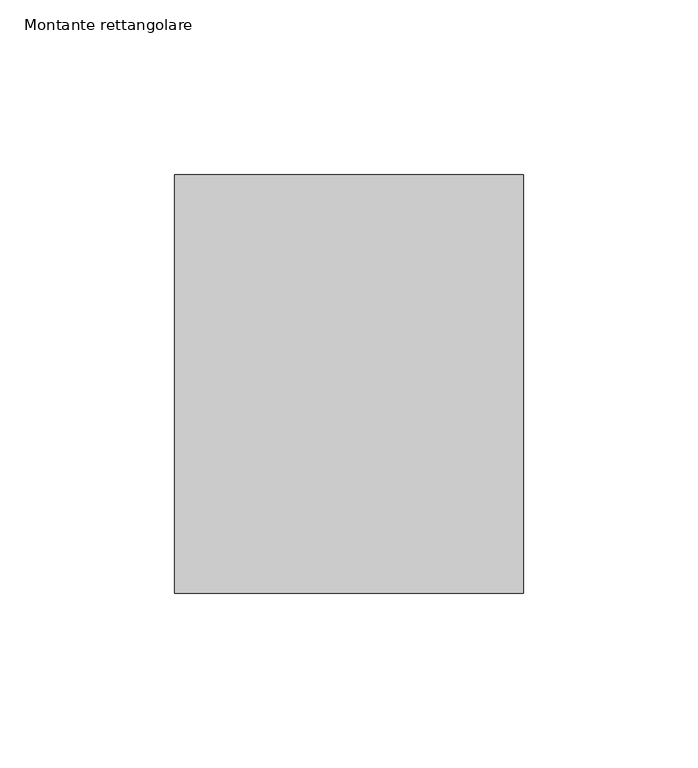
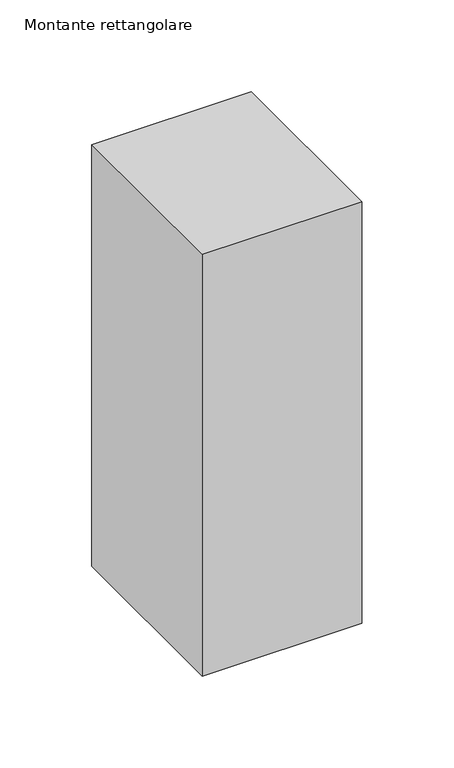
"""IFC4 building model written with IfcOpenShell, lengths in millimetres: member geometry, Montante rettangolare."""

from ifc_helpers import new_model, si_unit, frame, origin, place, context, project, spatial, polyline, outline, extrude, source, transform, mapped, element, save


def montante_rettangolare_5735f509(model_context):
    return source(origin(), model_context, "Body", "SweptSolid", [
        extrude(outline(polyline([(50.0, 60.0), (50.0, -60.0), (-50.0, -60.0), (-50.0, 60.0), (50.0, 60.0)])), frame((0.0, 0.0, -279.9286768), z_axis=(0.0, 0.0, 1.0), x_axis=(1.0, 0.0, 0.0)), (0.0, 0.0, 1.0), 279.9286768),
    ])


if __name__ == "__main__":
    model = new_model("IFC4")
    model_context = context("Model", 3, world=origin())
    ifc_project = project(units=[si_unit("LENGTHUNIT", "METRE", prefix="MILLI")], contexts=[model_context])
    site = spatial("IfcSite", under=ifc_project)
    building = spatial("IfcBuilding", under=site)
    placement = place(None, origin())
    montante_rettangolare_shape = montante_rettangolare_5735f509(model_context)
    element("IfcMember", 1, ObjectType="Montante rettangolare", at=placement, inside=building, context=model_context, shape_type="MappedRepresentation", body=[
        mapped(montante_rettangolare_shape, transform((0.0, 0.0, 0.0), x_axis=(1.0, 0.0, 0.0), y_axis=(0.0, 1.0, 0.0), z_axis=(0.0, 0.0, 1.0))),
    ])
    save(model, "model.ifc")
